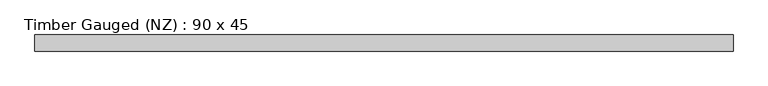
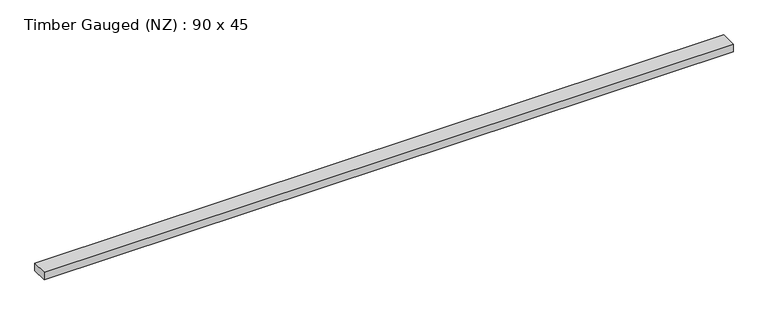
"""IFC4 building model written with IfcOpenShell, lengths in millimetres: beam geometry, Timber Gauged (NZ) : 90 x 45."""

import ifcopenshell
import ifcopenshell.guid

model = None  # the IFC model being written
_history = None  # IfcOwnerHistory: only IFC2X3 demands one
_inside = {}  # id of a spatial element -> (the spatial element, [elements in it])
_under = {}  # id of a project, library or spatial element -> (it, [spatial elements below it])
_declared = {}  # id of a project -> (the project, [libraries it declares])
_typed = {}  # id of a type object -> (the type object, [elements of that type])
_made_of = {}  # id of a material, layer set ... -> (it, [elements and type objects made of it])


def new_model(schema):
    """Start an empty IFC model of exactly this schema.

    Asked for "IFC4X3", IfcOpenShell would pick the latest addendum, in which some entities
    have other attributes; the version numbers below select the first issue.
    IFC2X3 requires an IfcOwnerHistory on every rooted entity: one is made here for all.
    """
    global model, _history
    if schema == "IFC4X3":
        model = ifcopenshell.file(schema_version=(4, 3, 0, 0))
    else:
        model = ifcopenshell.file(schema=schema)
    _inside.clear()
    _under.clear()
    _declared.clear()
    _typed.clear()
    _made_of.clear()
    _history = None
    if model.schema == "IFC2X3":
        org = make("IfcOrganization", Name="unknown")
        user = make(
            "IfcPersonAndOrganization",
            ThePerson=make("IfcPerson", FamilyName="unknown"),
            TheOrganization=org,
        )
        app = make(
            "IfcApplication",
            ApplicationDeveloper=org,
            Version="unknown",
            ApplicationFullName="unknown",
            ApplicationIdentifier="unknown",
        )
        _history = make(
            "IfcOwnerHistory",
            OwningUser=user,
            OwningApplication=app,
            ChangeAction="ADDED",
            CreationDate=0,
        )
    return model


def make(cls, **values):
    """One entity of the class cls with the attributes given. An attribute that is None is left unset."""
    return model.create_entity(
        cls, **{name: value for name, value in values.items() if value is not None}
    )


def rooted(cls, **values):
    """An entity with a GlobalId (a new one), such as an element, a storey or a relation."""
    return make(cls, GlobalId=ifcopenshell.guid.new(), OwnerHistory=_history, **values)


def si_unit(unit_type, name, prefix=None):
    """IfcSIUnit, for example si_unit("LENGTHUNIT", "METRE", prefix="MILLI")."""
    return make("IfcSIUnit", UnitType=unit_type, Prefix=prefix, Name=name)


def assignment(units):
    """IfcUnitAssignment: the units of a project."""
    return None if units is None else make("IfcUnitAssignment", Units=units)


def point(xyz):
    """IfcCartesianPoint."""
    return None if xyz is None else make("IfcCartesianPoint", Coordinates=xyz)


def direction(xyz):
    """IfcDirection."""
    return None if xyz is None else make("IfcDirection", DirectionRatios=xyz)


def frame(location, z_axis=None, x_axis=None):
    """IfcAxis2Placement3D, a coordinate frame: its origin and axes. An axis left out is left unset."""
    return make(
        "IfcAxis2Placement3D",
        Location=point(location),
        Axis=direction(z_axis),
        RefDirection=direction(x_axis),
    )


def origin():
    """The frame at (0, 0, 0) with its axes left unset."""
    return frame((0.0, 0.0, 0.0))


def place(relative_to, where):
    """IfcLocalPlacement: puts the frame where relative to a parent placement (None: the world)."""
    return make(
        "IfcLocalPlacement", PlacementRelTo=relative_to, RelativePlacement=where
    )


def context(
    kind, dimensions, precision=None, world=None, true_north=None, identifier=None
):
    """IfcGeometricRepresentationContext, for example the 3D "Model" context."""
    return make(
        "IfcGeometricRepresentationContext",
        ContextIdentifier=identifier,
        ContextType=kind,
        CoordinateSpaceDimension=dimensions,
        Precision=precision,
        WorldCoordinateSystem=world,
        TrueNorth=true_north,
    )


def project(units=None, contexts=None):
    """IfcProject with its units and contexts."""
    return rooted(
        "IfcProject",
        Name="project",
        RepresentationContexts=contexts,
        UnitsInContext=assignment(units),
    )


def spatial(cls, under=None, at=None, **own):
    """A site, building, storey or space (cls), placed at a placement, below another one or the project."""
    s = rooted(cls, ObjectPlacement=at, **own)
    if under is not None:
        _under.setdefault(under.id(), (under, []))[1].append(s)
    return s


def polyline(points):
    """IfcPolyline through the points."""
    return make("IfcPolyline", Points=[point(p) for p in points])


def outline(outer, holes=None, kind="AREA"):
    """IfcArbitraryClosedProfileDef: a profile drawn as a closed curve; with holes, ...WithVoids."""
    if holes is None:
        return make("IfcArbitraryClosedProfileDef", ProfileType=kind, OuterCurve=outer)
    return make(
        "IfcArbitraryProfileDefWithVoids",
        ProfileType=kind,
        OuterCurve=outer,
        InnerCurves=holes,
    )


def extrude(swept, where, along, depth):
    """IfcExtrudedAreaSolid: the profile swept, set in the frame where, extruded along a direction by depth."""
    return make(
        "IfcExtrudedAreaSolid",
        SweptArea=swept,
        Position=where,
        ExtrudedDirection=direction(along),
        Depth=depth,
    )


def shape(context_of_items, identifier, shape_type, items):
    """IfcShapeRepresentation: the items that make up one representation, for example the "Body"."""
    return make(
        "IfcShapeRepresentation",
        ContextOfItems=context_of_items,
        RepresentationIdentifier=identifier,
        RepresentationType=shape_type,
        Items=items,
    )


def source(mapping_origin, context_of_items, identifier, shape_type, items):
    """IfcRepresentationMap: a shape defined once, which mapped items show again and again."""
    return make(
        "IfcRepresentationMap",
        MappingOrigin=mapping_origin,
        MappedRepresentation=shape(context_of_items, identifier, shape_type, items),
    )


def transform(
    local_origin,
    x_axis=None,
    y_axis=None,
    z_axis=None,
    scale=None,
    scale2=None,
    scale3=None,
    uniform=True,
):
    """IfcCartesianTransformationOperator3D, or its non-uniform kind. x_axis, y_axis, z_axis: its Axis1, 2, 3."""
    if uniform:
        return make(
            "IfcCartesianTransformationOperator3D",
            Axis1=direction(x_axis),
            Axis2=direction(y_axis),
            LocalOrigin=point(local_origin),
            Scale=scale,
            Axis3=direction(z_axis),
        )
    return make(
        "IfcCartesianTransformationOperator3DnonUniform",
        Axis1=direction(x_axis),
        Axis2=direction(y_axis),
        LocalOrigin=point(local_origin),
        Scale=scale,
        Axis3=direction(z_axis),
        Scale2=scale2,
        Scale3=scale3,
    )


def mapped(mapping_source, mapping_target):
    """IfcMappedItem: shows the shape of a source again, moved by a transform."""
    return make(
        "IfcMappedItem", MappingSource=mapping_source, MappingTarget=mapping_target
    )


def made_of(thing, what):
    """Note that an element or type object is made of a material, layer set ...; save() writes the relation."""
    if what is not None:
        _made_of.setdefault(what.id(), (what, []))[1].append(thing)
    return thing


def element(
    cls,
    number,
    at=None,
    inside=None,
    cuts=None,
    type_object=None,
    material=None,
    context=None,
    identifier="Body",
    shape_type=None,
    held_by="IfcProductDefinitionShape",
    body=None,
    shapes=None,
    **own,
):
    """One element of the class cls, such as IfcWall. Its Tag is "e" and its number.

    at: its placement. inside: the storey or other place that contains it. cuts: it is an
    opening in that element (IfcRelVoidsElement). A single representation is given by context,
    identifier, shape_type and body (its items); several are given by shapes. held_by: the class
    of the entity that holds the representations. save() writes the other relations.
    """
    e = rooted(cls, Tag="e%d" % number, ObjectPlacement=at, **own)
    if body is not None:
        shapes = [shape(context, identifier, shape_type, body)]
    if shapes is not None:
        e.Representation = make(held_by, Representations=shapes)
    if inside is not None:
        _inside.setdefault(inside.id(), (inside, []))[1].append(e)
    if cuts is not None:
        rooted(
            "IfcRelVoidsElement", RelatingBuildingElement=cuts, RelatedOpeningElement=e
        )
    if type_object is not None:
        _typed.setdefault(type_object.id(), (type_object, []))[1].append(e)
    return made_of(e, material)


def aggregate(whole, parts):
    """IfcRelAggregates: a whole, such as a stair, and the parts it consists of."""
    return rooted("IfcRelAggregates", RelatingObject=whole, RelatedObjects=parts)


def save(model, path):
    """Write the relations noted so far, then the file.

    IfcRelAggregates (storeys below a building ...), IfcRelContainedInSpatialStructure (elements
    in a storey), IfcRelDefinesByType, IfcRelAssociatesMaterial and IfcRelDeclares: one each for
    every whole, place, type object, material and project.
    """
    for whole, parts in _under.values():
        aggregate(whole, parts)
    for where, things in _inside.values():
        rooted(
            "IfcRelContainedInSpatialStructure",
            RelatedElements=things,
            RelatingStructure=where,
        )
    for kind, things in _typed.values():
        rooted("IfcRelDefinesByType", RelatedObjects=things, RelatingType=kind)
    for what, things in _made_of.values():
        rooted("IfcRelAssociatesMaterial", RelatedObjects=things, RelatingMaterial=what)
    for by, libraries in _declared.values():
        rooted("IfcRelDeclares", RelatingContext=by, RelatedDefinitions=libraries)
    model.write(path)


def timber_gauged_nz_90_x_45_22b23b48(model_context):
    return source(origin(), model_context, "Body", "SweptSolid", [
        extrude(outline(polyline([(1944.3169862, 45.0), (1944.3169862, -45.0), (-1944.3169862, -45.0), (-1944.3169862, 45.0), (1944.3169862, 45.0)])), frame((0.0, 0.0, -22.5), z_axis=(0.0, 0.0, 1.0), x_axis=(1.0, 0.0, 0.0)), (0.0, 0.0, 1.0), 45.0),
    ])


if __name__ == "__main__":
    model = new_model("IFC4")
    model_context = context("Model", 3, world=origin())
    ifc_project = project(units=[si_unit("LENGTHUNIT", "METRE", prefix="MILLI")], contexts=[model_context])
    site = spatial("IfcSite", under=ifc_project)
    building = spatial("IfcBuilding", under=site)
    placement = place(None, origin())
    timber_gauged_nz_90_x_45_shape = timber_gauged_nz_90_x_45_22b23b48(model_context)
    element("IfcBeam", 1, ObjectType="Timber Gauged (NZ) : 90 x 45", at=placement, inside=building, context=model_context, shape_type="MappedRepresentation", body=[
        mapped(timber_gauged_nz_90_x_45_shape, transform((0.0, 0.0, 0.0), x_axis=(1.0, 0.0, 0.0), y_axis=(0.0, 1.0, 0.0), z_axis=(0.0, 0.0, 1.0))),
    ])
    save(model, "model.ifc")
